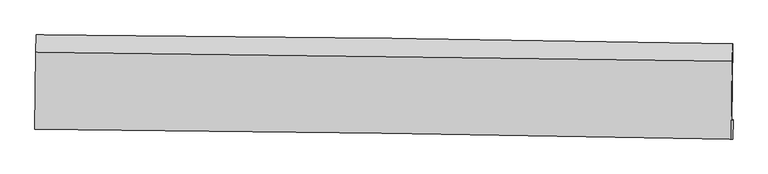
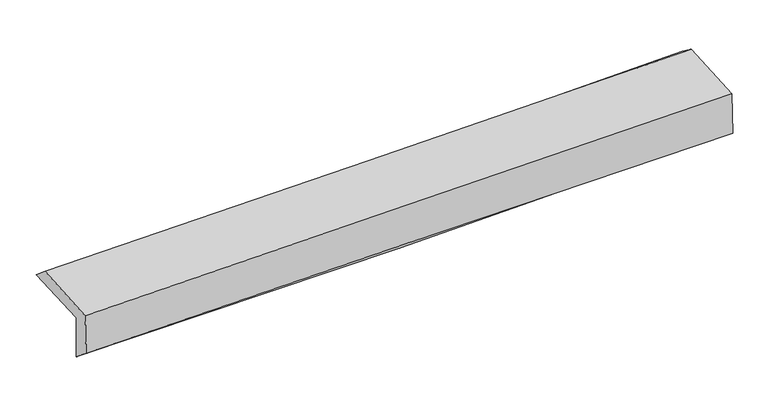
"""IFC4 building model written with IfcOpenShell, lengths in millimetres: proxy geometry."""

from ifc_helpers import new_model, si_unit, frame, origin, place, context, project, spatial, source, transform, mapped, element, save
from ifc_brep_helpers import plane_surface, spline_curve, spline_surface, advanced_brep


def generic_models_7a39b264(model_context):
    return source(origin(), model_context, "Body", "AdvancedBrep", [
        advanced_brep(
        [(-3017.8325052, -1757.0696998, 1956.4015966), (-3009.4786127, -1097.7174919, 1980.007072), (3004.586948, -1174.7898645, 2139.6244338), (2996.1915429, -1844.895008, 2115.6362325), (-3008.4198019, -1742.9390479, 1558.3706731), (3005.7059674, -1830.6116491, 1713.3038683), (-3013.981935, -1912.5654023, 1699.6069457), (3000.8668478, -1996.8785654, 1826.2805832), (-3022.67454, -1912.7573222, 2074.6788906), (2991.7652988, -1997.0794453, 2218.9140877), (-3014.533703, -1249.503859, 2109.7531648), (2999.8975259, -1326.8033422, 2254.3574705)],
        [
            (0, 1),
            (1, 2, spline_curve(3, [(-3009.4786127, -1097.7174919, 1980.007072), (-2006.477621512, -1104.268864442, 1986.678125726), (-1003.905356833, -1113.96533049, 2003.310436727), (1000.783507003, -1139.653598858, 2056.508234994), (2002.89976269, -1155.647923695, 2093.08171134), (3004.586948, -1174.7898645, 2139.6244338)], [4, 2, 4], [0.0, 9.868469872599851, 19.740896296656825])),
            (2, 3),
            (3, 0, spline_curve(3, [(2996.1915429, -1844.895008, 2115.6362325), (1994.106811432, -1825.841110811, 2070.181170068), (991.795283007, -1808.99436196, 2034.183321385), (-1012.879581243, -1779.721027722, 1981.112688049), (-2015.242735783, -1767.292674058, 1964.03232481), (-3017.8325052, -1757.0696998, 1956.4015966)], [4, 2, 4], [0.0, 9.872426424056973, 19.740896296656825])),
            (4, 0),
            (3, 5),
            (5, 4, spline_curve(3, [(3005.7059674, -1830.6116491, 1713.3038683), (2003.657056078, -1811.503977263, 1666.334086713), (1001.354954402, -1794.643077083, 1629.937627188), (-1003.353838438, -1765.42067699, 1578.301702096), (-2005.760326287, -1753.05737672, 1563.053763002), (-3008.4198019, -1742.9390479, 1558.3706731)], [4, 2, 4], [0.0, 9.87251579221336, 19.74107499715371])),
            (6, 4),
            (5, 7),
            (7, 6, spline_curve(3, [(3000.8668478, -1996.8785654, 1826.2805832), (1998.168257548, -1976.484891386, 1804.269607704), (995.481105711, -1959.261184428, 1782.705957324), (-1009.468479086, -1931.159337259, 1740.481770221), (-2011.730922075, -1920.278656373, 1719.820874729), (-3013.981935, -1912.5654023, 1699.6069457)], [4, 2, 4], [0.0, 9.872158815316576, 19.74036118642502])),
            (8, 6),
            (7, 9),
            (9, 8, spline_curve(3, [(2991.7652988, -1997.0794453, 2218.9140877), (1989.202571918, -1976.68303734, 2191.360490934), (986.617431034, -1959.457216762, 2165.562035598), (-1018.195866525, -1931.352383324, 2117.48504299), (-2020.424005052, -1920.470829395, 2095.205099455), (-3022.67454, -1912.7573222, 2074.6788906)], [4, 2, 4], [0.0, 9.872056728395522, 19.74015705349607])),
            (10, 8),
            (9, 11),
            (11, 10, spline_curve(3, [(2999.8975259, -1326.8033422, 2254.3574705), (1997.615840965, -1313.378980063, 2226.443933138), (995.171910196, -1300.223938393, 2200.434772318), (-1009.638629239, -1274.45765999, 2152.234863106), (-2012.005108475, -1261.846207245, 2130.042588996), (-3014.533703, -1249.503859, 2109.7531648)], [4, 2, 4], [0.0, 9.871948895656876, 19.739941431234676])),
            (1, 10),
            (11, 2),
        ],
        [
            spline_surface(3, 3, [[(-3017.8325052, -1757.0696998, 1956.4015966), (-2015.24273586, -1767.292674007, 1964.032324867), (-1012.879581335, -1779.721027842, 1981.112688131), (991.795283099, -1808.99436184, 2034.183321303), (1994.106811303, -1825.841110702, 2070.181170042), (2996.1915429, -1844.895008, 2115.6362325)], [(-3015.047874374, -1537.285630524, 1964.270088402), (-2012.321031097, -1546.284737461, 1971.580925202), (-1009.8881732, -1557.802462075, 1988.511937689), (994.791357781, -1585.880774214, 2041.624959183), (1997.037795128, -1602.443381661, 2077.814683796), (2998.990011269, -1621.526626816, 2123.632299596)], [(-3012.263243526, -1317.501561176, 1972.138580198), (-2009.39932631, -1325.276800843, 1979.129525531), (-1006.896765088, -1335.883896231, 1995.911187234), (997.78743244, -1362.767186511, 2049.06659705), (1999.968778947, -1379.045652674, 2085.448197562), (3001.788479631, -1398.158245684, 2131.628366704)], [(-3009.4786127, -1097.7174919, 1980.007072), (-2006.477621547, -1104.268864298, 1986.678125866), (-1003.905356952, -1113.965330463, 2003.310436792), (1000.783507122, -1139.653598885, 2056.508234929), (2002.899762771, -1155.647923633, 2093.081711316), (3004.586948, -1174.7898645, 2139.6244338)]], [4, 4], [4, 2, 4], [0.0, 2.1915367805581334], [0.0, 9.868469872599851, 19.740896296656825]),
            spline_surface(3, 3, [[(-3008.4198019, -1742.9390479, 1558.3706731), (-2005.760326306, -1753.057376845, 1563.053763083), (-1003.353838345, -1765.420677103, 1578.301702042), (1001.354954309, -1794.64307697, 1629.937627242), (2003.657056141, -1811.503977163, 1666.334086686), (3005.7059674, -1830.6116491, 1713.3038683)], [(-3011.557369662, -1747.649265169, 1691.047647624), (-2008.921129486, -1757.802475867, 1696.713283701), (-1006.529086019, -1770.187460663, 1712.572030742), (998.168397229, -1799.426838573, 1764.686191934), (2000.473641199, -1816.283021688, 1800.949781145), (3002.53449257, -1835.372768745, 1847.414656374)], [(-3014.694937438, -1752.359482531, 1823.724622076), (-2012.08193268, -1762.547574984, 1830.372804249), (-1009.704333662, -1774.954244283, 1846.84235943), (994.981840179, -1804.210600237, 1899.434756612), (1997.290226246, -1821.062066177, 1935.565475583), (2999.36301773, -1840.133888355, 1981.525444426)], [(-3017.8325052, -1757.0696998, 1956.4015966), (-2015.24273586, -1767.292674007, 1964.032324867), (-1012.879581335, -1779.721027842, 1981.112688131), (991.795283099, -1808.99436184, 2034.183321303), (1994.106811303, -1825.841110702, 2070.181170042), (2996.1915429, -1844.895008, 2115.6362325)]], [4, 4], [4, 2, 4], [0.0, 1.3251167583052332], [0.0, 9.86855920494035, 19.74107499715371]),
            spline_surface(3, 3, [[(-3013.981935, -1912.5654023, 1699.6069457), (-2011.730921975, -1920.278656385, 1719.82087458), (-1009.468479238, -1931.15933716, 1740.481770092), (995.481105862, -1959.261184528, 1782.705957453), (1998.168257391, -1976.484891452, 1804.269607768), (3000.8668478, -1996.8785654, 1826.2805832)], [(-3012.127890632, -1856.023284195, 1652.528188168), (-2009.740723418, -1864.5382299, 1667.565170749), (-1007.430265602, -1875.913117144, 1686.421747403), (997.43905535, -1904.388482012, 1731.78318071), (1999.997856962, -1921.491253358, 1758.291100737), (3002.479887654, -1941.456259969, 1788.62167823)], [(-3010.273846268, -1799.481166005, 1605.449430632), (-2007.750524863, -1808.79780333, 1615.309466914), (-1005.392051981, -1820.666897119, 1632.361724731), (999.397004821, -1849.515779486, 1680.860403985), (2001.827456571, -1866.497615257, 1712.312593717), (3004.092927546, -1886.033954531, 1750.96277327)], [(-3008.4198019, -1742.9390479, 1558.3706731), (-2005.760326306, -1753.057376845, 1563.053763083), (-1003.353838345, -1765.420677103, 1578.301702042), (1001.354954309, -1794.64307697, 1629.937627242), (2003.657056141, -1811.503977163, 1666.334086686), (3005.7059674, -1830.6116491, 1713.3038683)]], [4, 4], [4, 2, 4], [0.0, 0.7489898344455234], [0.0, 9.868202371108444, 19.74036118642502]),
            spline_surface(3, 3, [[(-3022.67454, -1912.7573222, 2074.6788906), (-2020.424005109, -1920.470829505, 2095.205099452), (-1018.195866519, -1931.35238327, 2117.485043043), (986.617431029, -1959.457216816, 2165.562035545), (1989.202572068, -1976.683037399, 2191.360490997), (2991.7652988, -1997.0794453, 2218.9140877)], [(-3019.777004997, -1912.693348891, 1949.654908954), (-2017.526310727, -1920.40677179, 1970.077024482), (-1015.286737429, -1931.288034553, 1991.817285403), (989.571989303, -1959.391872707, 2037.943342858), (1992.19113386, -1976.616988733, 2062.330196583), (2994.799148484, -1997.012485316, 2088.036252862)], [(-3016.879470003, -1912.629375609, 1824.630927346), (-2014.628616356, -1920.342714101, 1844.94894955), (-1012.377608328, -1931.223685877, 1866.149527732), (992.526547588, -1959.326528637, 1910.32465014), (1995.179695599, -1976.550940119, 1933.299902182), (2997.832998116, -1996.945525384, 1957.158418038)], [(-3013.981935, -1912.5654023, 1699.6069457), (-2011.730921975, -1920.278656385, 1719.82087458), (-1009.468479238, -1931.15933716, 1740.481770092), (995.481105862, -1959.261184528, 1782.705957453), (1998.168257391, -1976.484891452, 1804.269607768), (3000.8668478, -1996.8785654, 1826.2805832)]], [4, 4], [4, 2, 4], [0.0, 1.2468264280769938], [0.0, 9.868100325100547, 19.74015705349607]),
            spline_surface(3, 3, [[(-3014.533703, -1249.503859, 2109.7531648), (-2012.005108445, -1261.846207178, 2130.042588936), (-1009.638629337, -1274.457659905, 2152.234863158), (995.171910294, -1300.223938478, 2200.434772266), (1997.615840862, -1313.378980152, 2226.443933289), (2999.8975259, -1326.8033422, 2254.3574705)], [(-3017.247315339, -1470.588346718, 2098.061740064), (-2014.811407338, -1481.387747938, 2118.430092439), (-1012.491041727, -1493.422567709, 2140.651589782), (992.32041721, -1519.968364606, 2188.810526688), (1994.811417933, -1534.480332562, 2214.749452523), (2997.186783536, -1550.228709894, 2242.543009565)], [(-3019.960927661, -1691.672834482, 2086.370315336), (-2017.617706216, -1700.929288745, 2106.81759595), (-1015.343454129, -1712.387475466, 2129.068316419), (989.468924113, -1739.712790688, 2177.186281123), (1992.006994997, -1755.581684989, 2203.054971763), (2994.476041164, -1773.654077606, 2230.728548635)], [(-3022.67454, -1912.7573222, 2074.6788906), (-2020.424005109, -1920.470829505, 2095.205099452), (-1018.195866519, -1931.35238327, 2117.485043043), (986.617431029, -1959.457216816, 2165.562035545), (1989.202572068, -1976.683037399, 2191.360490997), (2991.7652988, -1997.0794453, 2218.9140877)]], [4, 4], [4, 2, 4], [0.0, 2.162205109058167], [0.0, 9.8679925355778, 19.739941431234676]),
            spline_surface(3, 3, [[(-3009.4786127, -1097.7174919, 1980.007072), (-2006.477621547, -1104.268864298, 1986.678125866), (-1003.905356952, -1113.965330463, 2003.310436792), (1000.783507122, -1139.653598885, 2056.508234929), (2002.899762771, -1155.647923633, 2093.081711316), (3004.586948, -1174.7898645, 2139.6244338)], [(-3011.163642796, -1148.312947604, 2023.255769589), (-2008.320117176, -1156.794645261, 2034.466280211), (-1005.81644775, -1167.4627736, 2052.951912239), (998.912974843, -1193.177045405, 2104.483747366), (2001.138455456, -1208.2249425, 2137.535785314), (3003.023807287, -1225.46102376, 2177.868779374)], [(-3012.848672904, -1198.908403296, 2066.504467211), (-2010.162612816, -1209.320426214, 2082.254434591), (-1007.727538539, -1220.960216768, 2102.593387711), (997.042442573, -1246.700491958, 2152.459259829), (1999.377148178, -1260.801961285, 2181.989859291), (3001.460666613, -1276.13218294, 2216.113124926)], [(-3014.533703, -1249.503859, 2109.7531648), (-2012.005108445, -1261.846207178, 2130.042588936), (-1009.638629337, -1274.457659905, 2152.234863158), (995.171910294, -1300.223938478, 2200.434772266), (1997.615840862, -1313.378980152, 2226.443933289), (2999.8975259, -1326.8033422, 2254.3574705)]], [4, 4], [4, 2, 4], [0.0, 0.7131025973851779], [0.0, 9.868068854143027, 19.74009409896342]),
            plane_surface(frame((2999.8356885, -1695.1763124, 2044.6861126), z_axis=(0.99964245716043, -0.013353286246260886, 0.023165655369181377), x_axis=(0.023174546726701165, 0.0005114845629930595, -0.9997313032848146))),
            plane_surface(frame((-3014.4868496, -1612.0921372, 1896.4697238), z_axis=(-0.9996406783785927, 0.013494468719214855, -0.02316060113151104), x_axis=(-0.012660721748356472, -0.9992796603721738, -0.035775221750309505))),
        ],
        [
            (0, [[1, 2, 3, 4]]),
            (1, [[5, -4, 6, 7]]),
            (2, [[8, -7, 9, 10]]),
            (3, [[11, -10, 12, 13]]),
            (4, [[14, -13, 15, 16]]),
            (5, [[17, -16, 18, -2]]),
            (6, [[-12, -9, -6, -3, -18, -15]]),
            (7, [[-1, -5, -8, -11, -14, -17]]),
        ],
    ),
    ])


if __name__ == "__main__":
    model = new_model("IFC4")
    model_context = context("Model", 3, world=origin())
    ifc_project = project(units=[si_unit("LENGTHUNIT", "METRE", prefix="MILLI")], contexts=[model_context])
    site = spatial("IfcSite", under=ifc_project)
    building = spatial("IfcBuilding", under=site)
    placement = place(None, origin())
    generic_models_shape = generic_models_7a39b264(model_context)
    element("IfcBuildingElementProxy", 1, Name="Generic Models", at=placement, inside=building, context=model_context, shape_type="MappedRepresentation", body=[
        mapped(generic_models_shape, transform((0.0, 0.0, 0.0), x_axis=(1.0, 0.0, 0.0), y_axis=(0.0, 1.0, 0.0), z_axis=(0.0, 0.0, 1.0))),
    ])
    save(model, "model.ifc")
